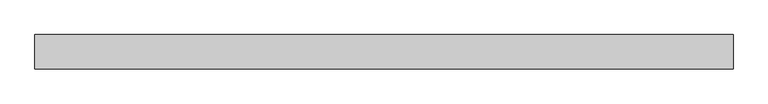
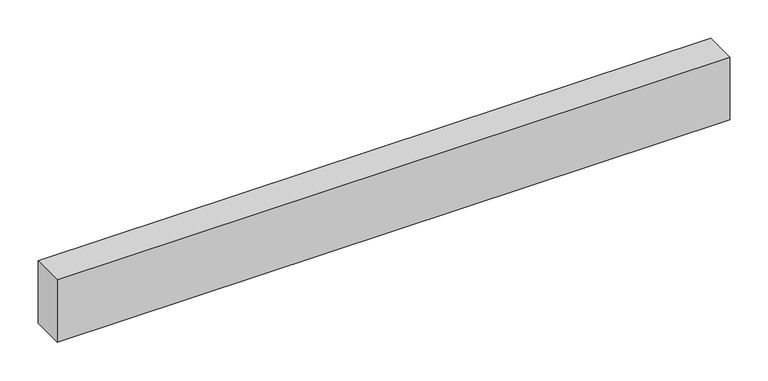
"""IFC4 building model written with IfcOpenShell, lengths in millimetres: beam geometry."""

from ifc_helpers import new_model, si_unit, frame, origin, place, context, project, spatial, polyline, outline, extrude, source, transform, mapped, element, save


def beam_d7a92061(model_context):
    return source(origin(), model_context, "Body", "SweptSolid", [
        extrude(outline(polyline([(508.75, 25.0), (508.75, -25.0), (-508.75, -25.0), (-508.75, 25.0), (508.75, 25.0)])), frame((0.0, 0.0, -50.0), z_axis=(0.0, 0.0, 1.0), x_axis=(1.0, 0.0, 0.0)), (0.0, 0.0, 1.0), 100.0),
    ])


if __name__ == "__main__":
    model = new_model("IFC4")
    model_context = context("Model", 3, world=origin())
    ifc_project = project(units=[si_unit("LENGTHUNIT", "METRE", prefix="MILLI")], contexts=[model_context])
    site = spatial("IfcSite", under=ifc_project)
    building = spatial("IfcBuilding", under=site)
    placement = place(None, origin())
    beam_shape = beam_d7a92061(model_context)
    element("IfcBeam", 1, at=placement, inside=building, context=model_context, shape_type="MappedRepresentation", body=[
        mapped(beam_shape, transform((0.0, 0.0, 0.0), x_axis=(1.0, 0.0, 0.0), y_axis=(0.0, 1.0, 0.0), z_axis=(0.0, 0.0, 1.0))),
    ])
    save(model, "model.ifc")
